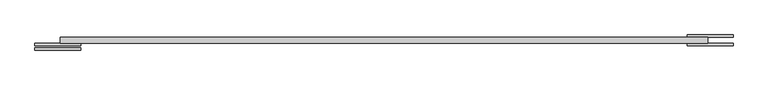
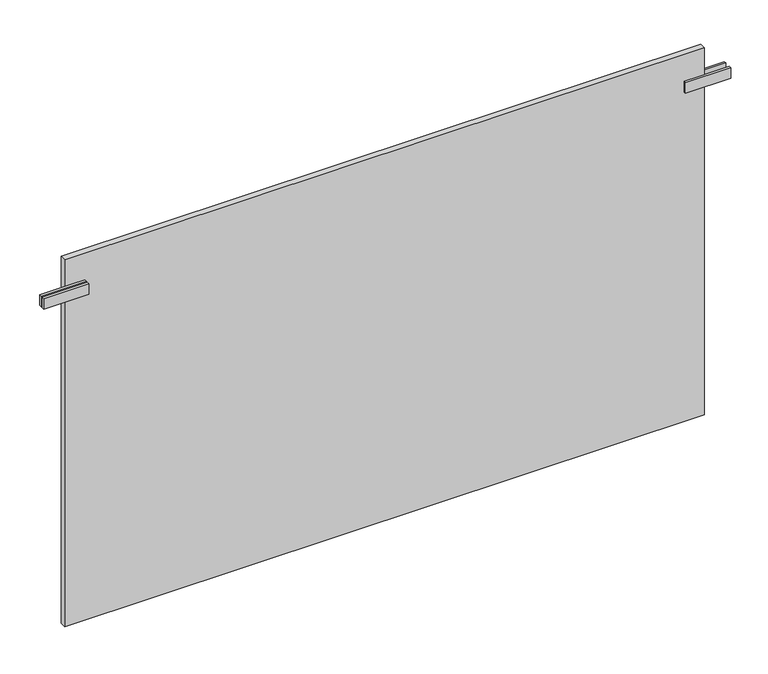
"""IFC4 building model written with IfcOpenShell, lengths in millimetres: plate geometry."""

from ifc_helpers import new_model, si_unit, frame, origin, origin_with_axes, place, context, project, spatial, polyline, outline, extrude, source, transform, mapped, element, save


def plate_462c0fdd(model_context):
    return source(origin(), model_context, "Body", "SweptSolid", [
        extrude(outline(polyline([(662.5000001, -11.75), (662.5000001, -6.75), (762.5000001, -6.75), (762.5000001, -11.75), (662.5000001, -11.75)])), frame((0.0, 0.0, 770.5), z_axis=(0.0, 0.0, 1.0), x_axis=(1.0, 0.0, 0.0)), (0.0, 0.0, 1.0), 25.0),
        extrude(outline(polyline([(662.5000001, 11.75), (762.5000001, 11.75), (762.5000001, 6.75), (662.5000001, 6.75), (662.5000001, 11.75)])), frame((0.0, 0.0, 770.5), z_axis=(0.0, 0.0, 1.0), x_axis=(1.0, 0.0, 0.0)), (0.0, 0.0, 1.0), 25.0),
        extrude(outline(polyline([(-662.5000001, -11.75), (-762.5000001, -11.75), (-762.5000001, -6.75), (-662.5000001, -6.75), (-662.5000001, -11.75)])), frame((0.0, 0.0, 770.5), z_axis=(0.0, 0.0, 1.0), x_axis=(1.0, 0.0, 0.0)), (0.0, 0.0, 1.0), 25.0),
        extrude(outline(polyline([(-662.5000001, -16.25), (-662.5000001, -21.25), (-762.5000001, -21.25), (-762.5000001, -16.25), (-662.5000001, -16.25)])), frame((0.0, 0.0, 770.5), z_axis=(0.0, 0.0, 1.0), x_axis=(1.0, 0.0, 0.0)), (0.0, 0.0, 1.0), 25.0),
        extrude(outline(polyline([(707.5000001, 6.75), (707.5000001, -6.75), (-707.5000001, -6.75), (-707.5000001, 6.75), (707.5000001, 6.75)])), origin_with_axes(), (0.0, 0.0, 1.0), 858.0),
    ])


if __name__ == "__main__":
    model = new_model("IFC4")
    model_context = context("Model", 3, world=origin())
    ifc_project = project(units=[si_unit("LENGTHUNIT", "METRE", prefix="MILLI")], contexts=[model_context])
    site = spatial("IfcSite", under=ifc_project)
    building = spatial("IfcBuilding", under=site)
    placement = place(None, origin())
    plate_shape = plate_462c0fdd(model_context)
    element("IfcPlate", 1, at=placement, inside=building, context=model_context, shape_type="MappedRepresentation", body=[
        mapped(plate_shape, transform((0.0, 0.0, 0.0), x_axis=(1.0, 0.0, 0.0), y_axis=(0.0, 1.0, 0.0), z_axis=(0.0, 0.0, 1.0))),
    ])
    save(model, "model.ifc")
